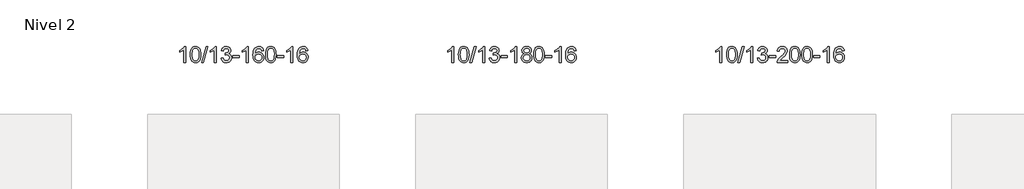
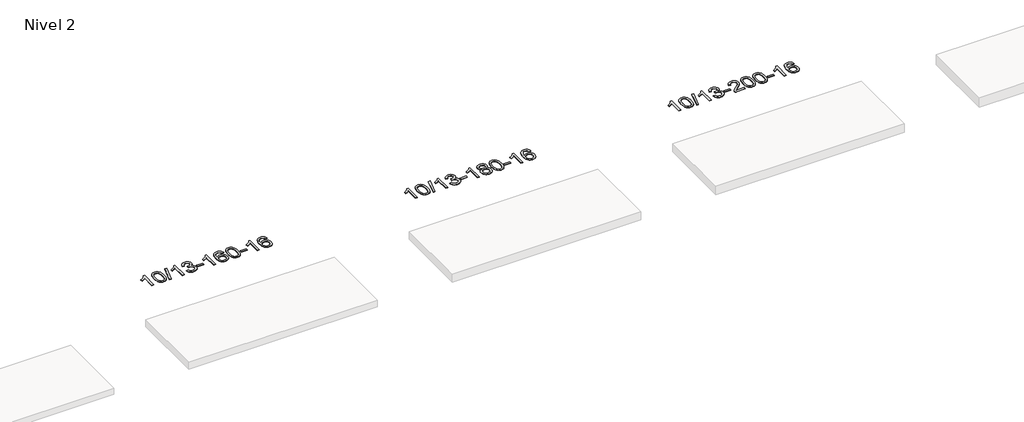
# One storey, part 28 of 51: 3 proxies.
"""IFC4 building model written with IfcOpenShell, lengths in millimetres."""

from ifc_helpers import new_model, si_unit, frame, origin, place, context, project, spatial, polyline, outline, extrude, element, save

model = new_model("IFC4")

# Units and contexts
model_context = context("Model", 3, world=origin())
ifc_project = project(units=[si_unit("LENGTHUNIT", "METRE", prefix="MILLI")], contexts=[model_context])

# Site, building, storey
site = spatial("IfcSite", under=ifc_project)
building = spatial("IfcBuilding", under=site)
storey = spatial("IfcBuildingStorey", under=building, Name="Nivel 2", Elevation=3000.0)

# Proxies
placement = place(None, origin())
element("IfcBuildingElementProxy", 1, Name="Texto de modelo 1", ObjectType="Texto de modelo 1", at=placement, inside=storey, context=model_context, shape_type="SweptSolid", body=[
    extrude(outline(polyline([(37859.3654769, -104863.8281584), (37809.1373218, -104863.8281584), (37809.1373218, -104550.6870041), (37788.1680481, -104567.6463641), (37761.5579171, -104584.5811986), (37708.6810117, -104609.9405308), (37708.6810117, -104562.459228), (37748.1302243, -104540.9994449), (37782.3064616, -104515.4684345), (37809.2476864, -104488.3187432), (37826.9918613, -104462.0029178), (37859.3654769, -104462.0029178), (37859.3654769, -104863.8281584)])), frame((0.0, 0.0, 3000.0), z_axis=(0.0, 0.0, 1.0), x_axis=(1.0, 0.0, 0.0)), (0.0, 0.0, 1.0), 10.0),
    extrude(outline(polyline([(37978.6573452, -104666.1528997), (37982.3484279, -104601.8348642), (37993.4216759, -104550.5398513), (38011.7667248, -104511.4830462), (38023.6247877, -104496.2496659), (38037.2732098, -104483.8796338), (38052.7579761, -104474.3085706), (38070.1250719, -104467.4720968), (38110.5062523, -104462.0029178), (38141.4573908, -104465.2402794), (38169.1711678, -104474.9523641), (38192.3477335, -104490.7590271), (38209.6872382, -104512.2801238), (38222.7838372, -104539.3317132), (38233.2316859, -104571.7298543), (38240.074291, -104612.8713241), (38242.3551593, -104666.1528997), (38238.7008649, -104730.1030532), (38227.7379814, -104781.2754387), (38209.5032972, -104820.3690321), (38197.6728253, -104835.6483976), (38184.0336004, -104848.082809), (38168.53044, -104857.7182516), (38151.1081618, -104864.6007106), (38110.5062523, -104870.1066778), (38082.8415262, -104867.7154449), (38058.3160599, -104860.5417459), (38036.9298532, -104848.5855811), (38018.6829063, -104831.8469503), (38001.1717233, -104801.5886562), (37988.6637355, -104763.8868831), (37981.1589428, -104718.7416309), (37978.6573452, -104666.1528997)]), holes=[polyline([(38028.8855003, -104666.0547978), (38030.3570283, -104709.719325), (38034.7716122, -104745.0635877), (38042.1292521, -104772.0875859), (38052.429948, -104790.7913197), (38064.8888849, -104803.516971), (38078.7212479, -104812.606722), (38093.927037, -104818.0605726), (38110.5062523, -104819.8785227), (38127.0854675, -104818.0544412), (38142.2912567, -104812.5821965), (38156.1236197, -104803.4617887), (38168.5825566, -104790.6932178), (38178.8832524, -104771.9588272), (38186.2408923, -104744.9409603), (38190.6554763, -104709.6396172), (38192.1270043, -104666.0547978), (38190.7045272, -104623.5460333), (38186.4370961, -104588.8241043), (38179.3247108, -104561.8890109), (38169.3673715, -104542.740753), (38157.1169011, -104529.392768), (38143.1251225, -104519.8584929), (38127.3920359, -104514.1379279), (38109.9176411, -104512.2310729), (38093.424265, -104513.9110674), (38078.4759932, -104518.9510507), (38065.0728259, -104527.3510229), (38053.2147629, -104539.110984), (38042.5707105, -104559.9576304), (38034.9678159, -104588.0638149), (38030.4060792, -104623.4295373), (38028.8855003, -104666.0547978)])]), frame((0.0, 0.0, 3000.0), z_axis=(0.0, 0.0, 1.0), x_axis=(1.0, 0.0, 0.0)), (0.0, 0.0, 1.0), 10.0),
    extrude(outline(polyline([(38261.1907175, -104863.8281584), (38374.2040664, -104462.0029178), (38419.5271282, -104462.0029178), (38306.5137793, -104863.8281584), (38261.1907175, -104863.8281584)])), frame((0.0, 0.0, 3000.0), z_axis=(0.0, 0.0, 1.0), x_axis=(1.0, 0.0, 0.0)), (0.0, 0.0, 1.0), 10.0),
    extrude(outline(polyline([(38631.6233612, -104863.8281584), (38581.3952061, -104863.8281584), (38581.3952061, -104550.6870041), (38560.4259324, -104567.6463641), (38533.8158014, -104584.5811986), (38480.9388959, -104609.9405308), (38480.9388959, -104562.459228), (38520.3881086, -104540.9994449), (38554.5643459, -104515.4684345), (38581.5055707, -104488.3187432), (38599.2497456, -104462.0029178), (38631.6233612, -104462.0029178), (38631.6233612, -104863.8281584)])), frame((0.0, 0.0, 3000.0), z_axis=(0.0, 0.0, 1.0), x_axis=(1.0, 0.0, 0.0)), (0.0, 0.0, 1.0), 10.0),
    extrude(outline(polyline([(38750.9152295, -104757.0933289), (38801.1433846, -104750.8148095), (38812.3883109, -104782.3790847), (38828.8571615, -104803.691715), (38851.3592769, -104815.8318208), (38880.7039974, -104819.8785227), (38915.1377521, -104814.3112419), (38929.4115735, -104807.3521408), (38941.7233576, -104797.6093993), (38958.7195058, -104772.6915255), (38964.3848885, -104742.476151), (38958.7685568, -104713.7936181), (38941.9195614, -104690.5312132), (38916.4130764, -104675.1169576), (38884.8242757, -104669.9788724), (38849.605706, -104675.4725769), (38855.1975124, -104625.2444218), (38863.2418653, -104625.833033), (38893.3346125, -104622.2277895), (38920.2390491, -104611.4120588), (38931.3122972, -104603.2328158), (38939.2217601, -104593.1160609), (38943.9674378, -104581.0617942), (38945.5493304, -104567.0700157), (38940.9630682, -104545.3772407), (38927.2042816, -104527.7802186), (38906.2104824, -104516.1183593), (38879.9191825, -104512.2310729), (38853.5788316, -104516.1551475), (38832.0454721, -104527.9273714), (38816.3246482, -104547.5477445), (38807.4219039, -104575.0162668), (38757.1937489, -104568.7377474), (38763.1473058, -104544.7579727), (38771.9826051, -104523.6354148), (38783.6996466, -104505.3700737), (38798.2984305, -104489.9619495), (38815.3191041, -104477.7298731), (38834.301815, -104468.9926757), (38855.2465633, -104463.7503573), (38878.1533489, -104462.0029178), (38909.7298868, -104465.4487459), (38938.7312507, -104475.7862299), (38963.1831407, -104492.095665), (38981.1112566, -104513.4573462), (38992.1109282, -104538.0686517), (38995.7774855, -104564.1269597), (38992.2948692, -104588.4071714), (38981.8470206, -104610.4310402), (38964.5810923, -104629.1930219), (38940.6442371, -104643.6875725), (38972.085885, -104656.3917641), (38995.385078, -104678.0232254), (39009.8060522, -104707.4047341), (39014.6130436, -104743.3590678), (39012.2095479, -104768.8410273), (39004.9990608, -104792.3118986), (38992.9815823, -104813.7716816), (38976.1571124, -104833.2203764), (38955.6599539, -104849.3581333), (38932.6244096, -104860.8851025), (38907.0504796, -104867.801284), (38878.9381638, -104870.1066778), (38853.5297807, -104868.1385091), (38830.3777404, -104862.2340031), (38809.4820431, -104852.3931598), (38790.8426887, -104838.615979), (38775.2138353, -104821.7118014), (38763.3496409, -104802.4899671), (38755.2501057, -104780.9504763), (38750.9152295, -104757.0933289)])), frame((0.0, 0.0, 3000.0), z_axis=(0.0, 0.0, 1.0), x_axis=(1.0, 0.0, 0.0)), (0.0, 0.0, 1.0), 10.0),
    extrude(outline(polyline([(39046.0056405, -104744.5362901), (39046.0056405, -104694.3081351), (39202.9686251, -104694.3081351), (39202.9686251, -104744.5362901), (39046.0056405, -104744.5362901)])), frame((0.0, 0.0, 3000.0), z_axis=(0.0, 0.0, 1.0), x_axis=(1.0, 0.0, 0.0)), (0.0, 0.0, 1.0), 10.0),
    extrude(outline(polyline([(39435.2738424, -104863.8281584), (39385.0456873, -104863.8281584), (39385.0456873, -104550.6870041), (39364.0764136, -104567.6463641), (39337.4662826, -104584.5811986), (39284.5893771, -104609.9405308), (39284.5893771, -104562.459228), (39324.0385898, -104540.9994449), (39358.2148271, -104515.4684345), (39385.1560519, -104488.3187432), (39402.9002268, -104462.0029178), (39435.2738424, -104462.0029178), (39435.2738424, -104863.8281584)])), frame((0.0, 0.0, 3000.0), z_axis=(0.0, 0.0, 1.0), x_axis=(1.0, 0.0, 0.0)), (0.0, 0.0, 1.0), 10.0),
    extrude(outline(polyline([(39811.9850054, -104568.7377474), (39761.7568504, -104575.0162668), (39753.6634465, -104550.1229184), (39742.7250885, -104533.1267702), (39719.9409302, -104517.4549972), (39692.3988315, -104512.2310729), (39669.0505876, -104515.2722307), (39647.0757697, -104524.3957042), (39628.2034234, -104543.6114071), (39612.7891678, -104570.0621226), (39602.3781073, -104607.4757215), (39598.5153464, -104659.5800747), (39618.663017, -104636.0724152), (39642.8083386, -104619.5054627), (39669.6024106, -104609.6830134), (39697.6963323, -104606.4088637), (39721.8293911, -104608.6468125), (39744.0985146, -104615.3606589), (39764.5037026, -104626.5504029), (39783.0449551, -104642.2160445), (39798.4530794, -104661.4256161), (39809.4588824, -104683.2471497), (39816.0623642, -104707.6806456), (39818.2635248, -104734.7261036), (39814.118721, -104770.6927), (39801.6843096, -104804.0350715), (39781.9903601, -104832.3129342), (39756.0669422, -104853.0860042), (39725.0912782, -104865.8515094), (39690.2405905, -104870.1066778), (39660.2980618, -104867.2862492), (39633.2556694, -104858.8249633), (39609.1134135, -104844.7228202), (39587.871294, -104824.9798197), (39570.553249, -104798.7620962), (39558.183217, -104765.2357837), (39550.7611977, -104724.4008823), (39548.2871913, -104676.2573918), (39551.0340435, -104622.2829718), (39559.2746002, -104576.2180146), (39573.0088614, -104538.0625203), (39592.236827, -104507.816489), (39613.077342, -104487.7730516), (39637.2410577, -104473.4563106), (39664.7279741, -104464.866266), (39695.5380912, -104462.0029178), (39718.6717374, -104463.7748828), (39739.6103542, -104469.0907776), (39758.3539419, -104477.9506023), (39774.9025003, -104490.3543569), (39788.8084397, -104505.8851085), (39799.6241704, -104524.1259241), (39807.3496923, -104545.0768037), (39811.9850054, -104568.7377474)]), holes=[polyline([(39598.5153464, -104733.9412887), (39601.4216141, -104756.1981494), (39610.1404174, -104777.449466), (39623.6784748, -104795.7209384), (39641.042505, -104809.0382666), (39661.999516, -104817.1684587), (39686.3165159, -104819.8785227), (39719.4626836, -104814.262191), (39733.3778201, -104807.2417762), (39745.5209916, -104797.4131956), (39755.3710321, -104785.1749879), (39762.4067752, -104770.9256919), (39768.0353697, -104736.3938353), (39762.4803516, -104703.2476675), (39755.536579, -104689.6268367), (39745.8152972, -104677.9741745), (39733.6353375, -104668.6391688), (39719.3155308, -104661.9713077), (39684.2563767, -104656.6370188), (39651.1592599, -104661.9713077), (39623.4822711, -104677.9741745), (39612.5592415, -104689.4735525), (39604.7570775, -104702.6345309), (39600.0757792, -104717.4571096), (39598.5153464, -104733.9412887)])]), frame((0.0, 0.0, 3000.0), z_axis=(0.0, 0.0, 1.0), x_axis=(1.0, 0.0, 0.0)), (0.0, 0.0, 1.0), 10.0),
    extrude(outline(polyline([(39862.2131605, -104666.1528997), (39865.9042432, -104601.8348642), (39876.9774912, -104550.5398513), (39895.3225401, -104511.4830462), (39907.180603, -104496.2496659), (39920.8290251, -104483.8796338), (39936.3137914, -104474.3085706), (39953.6808872, -104467.4720968), (39994.0620676, -104462.0029178), (40025.0132061, -104465.2402794), (40052.7269831, -104474.9523641), (40075.9035488, -104490.7590271), (40093.2430535, -104512.2801238), (40106.3396525, -104539.3317132), (40116.7875012, -104571.7298543), (40123.6301063, -104612.8713241), (40125.9109746, -104666.1528997), (40122.2566802, -104730.1030532), (40111.2937967, -104781.2754387), (40093.0591125, -104820.3690321), (40081.2286407, -104835.6483976), (40067.5894157, -104848.082809), (40052.0862553, -104857.7182516), (40034.6639771, -104864.6007106), (39994.0620676, -104870.1066778), (39966.3973415, -104867.7154449), (39941.8718752, -104860.5417459), (39920.4856685, -104848.5855811), (39902.2387216, -104831.8469503), (39884.7275386, -104801.5886562), (39872.2195508, -104763.8868831), (39864.7147581, -104718.7416309), (39862.2131605, -104666.1528997)]), holes=[polyline([(39912.4413156, -104666.0547978), (39913.9128436, -104709.719325), (39918.3274275, -104745.0635877), (39925.6850674, -104772.0875859), (39935.9857633, -104790.7913197), (39948.4447002, -104803.516971), (39962.2770632, -104812.606722), (39977.4828523, -104818.0605726), (39994.0620676, -104819.8785227), (40010.6412828, -104818.0544412), (40025.847072, -104812.5821965), (40039.679435, -104803.4617887), (40052.1383719, -104790.6932178), (40062.4390677, -104771.9588272), (40069.7967077, -104744.9409603), (40074.2112916, -104709.6396172), (40075.6828196, -104666.0547978), (40074.2603425, -104623.5460333), (40069.9929114, -104588.8241043), (40062.8805261, -104561.8890109), (40052.9231868, -104542.740753), (40040.6727164, -104529.392768), (40026.6809378, -104519.8584929), (40010.9478512, -104514.1379279), (39993.4734564, -104512.2310729), (39976.9800803, -104513.9110674), (39962.0318085, -104518.9510507), (39948.6286412, -104527.3510229), (39936.7705782, -104539.110984), (39926.1265258, -104559.9576304), (39918.5236312, -104588.0638149), (39913.9618945, -104623.4295373), (39912.4413156, -104666.0547978)])]), frame((0.0, 0.0, 3000.0), z_axis=(0.0, 0.0, 1.0), x_axis=(1.0, 0.0, 0.0)), (0.0, 0.0, 1.0), 10.0),
    extrude(outline(polyline([(40157.3035716, -104744.5362901), (40157.3035716, -104694.3081351), (40314.2665562, -104694.3081351), (40314.2665562, -104744.5362901), (40157.3035716, -104744.5362901)])), frame((0.0, 0.0, 3000.0), z_axis=(0.0, 0.0, 1.0), x_axis=(1.0, 0.0, 0.0)), (0.0, 0.0, 1.0), 10.0),
    extrude(outline(polyline([(40546.5717734, -104863.8281584), (40496.3436183, -104863.8281584), (40496.3436183, -104550.6870041), (40475.3743446, -104567.6463641), (40448.7642136, -104584.5811986), (40395.8873082, -104609.9405308), (40395.8873082, -104562.459228), (40435.3365208, -104540.9994449), (40469.5127581, -104515.4684345), (40496.4539829, -104488.3187432), (40514.1981578, -104462.0029178), (40546.5717734, -104462.0029178), (40546.5717734, -104863.8281584)])), frame((0.0, 0.0, 3000.0), z_axis=(0.0, 0.0, 1.0), x_axis=(1.0, 0.0, 0.0)), (0.0, 0.0, 1.0), 10.0),
    extrude(outline(polyline([(40923.2829365, -104568.7377474), (40873.0547814, -104575.0162668), (40864.9613775, -104550.1229184), (40854.0230195, -104533.1267702), (40831.2388613, -104517.4549972), (40803.6967626, -104512.2310729), (40780.3485186, -104515.2722307), (40758.3737008, -104524.3957042), (40739.5013544, -104543.6114071), (40724.0870988, -104570.0621226), (40713.6760383, -104607.4757215), (40709.8132774, -104659.5800747), (40729.960948, -104636.0724152), (40754.1062696, -104619.5054627), (40780.9003416, -104609.6830134), (40808.9942633, -104606.4088637), (40833.1273222, -104608.6468125), (40855.3964456, -104615.3606589), (40875.8016336, -104626.5504029), (40894.3428862, -104642.2160445), (40909.7510104, -104661.4256161), (40920.7568134, -104683.2471497), (40927.3602952, -104707.6806456), (40929.5614558, -104734.7261036), (40925.416652, -104770.6927), (40912.9822406, -104804.0350715), (40893.2882911, -104832.3129342), (40867.3648732, -104853.0860042), (40836.3892092, -104865.8515094), (40801.5385215, -104870.1066778), (40771.5959928, -104867.2862492), (40744.5536005, -104858.8249633), (40720.4113445, -104844.7228202), (40699.169225, -104824.9798197), (40681.8511801, -104798.7620962), (40669.481148, -104765.2357837), (40662.0591287, -104724.4008823), (40659.5851223, -104676.2573918), (40662.3319745, -104622.2829718), (40670.5725312, -104576.2180146), (40684.3067924, -104538.0625203), (40703.534758, -104507.816489), (40724.375273, -104487.7730516), (40748.5389888, -104473.4563106), (40776.0259052, -104464.866266), (40806.8360223, -104462.0029178), (40829.9696684, -104463.7748828), (40850.9082853, -104469.0907776), (40869.6518729, -104477.9506023), (40886.2004313, -104490.3543569), (40900.1063708, -104505.8851085), (40910.9221014, -104524.1259241), (40918.6476233, -104545.0768037), (40923.2829365, -104568.7377474)]), holes=[polyline([(40709.8132774, -104733.9412887), (40712.7195452, -104756.1981494), (40721.4383484, -104777.449466), (40734.9764059, -104795.7209384), (40752.340436, -104809.0382666), (40773.297447, -104817.1684587), (40797.6144469, -104819.8785227), (40830.7606147, -104814.262191), (40844.6757511, -104807.2417762), (40856.8189227, -104797.4131956), (40866.6689631, -104785.1749879), (40873.7047062, -104770.9256919), (40879.3333008, -104736.3938353), (40873.7782826, -104703.2476675), (40866.83451, -104689.6268367), (40857.1132283, -104677.9741745), (40844.9332685, -104668.6391688), (40830.6134619, -104661.9713077), (40795.5543077, -104656.6370188), (40762.4571909, -104661.9713077), (40734.7802021, -104677.9741745), (40723.8571726, -104689.4735525), (40716.0550086, -104702.6345309), (40711.3737102, -104717.4571096), (40709.8132774, -104733.9412887)])]), frame((0.0, 0.0, 3000.0), z_axis=(0.0, 0.0, 1.0), x_axis=(1.0, 0.0, 0.0)), (0.0, 0.0, 1.0), 10.0),
])
element("IfcBuildingElementProxy", 2, Name="Texto de modelo 1", ObjectType="Texto de modelo 1", at=placement, inside=storey, context=model_context, shape_type="SweptSolid", body=[
    extrude(outline(polyline([(44574.3060117, -104863.8281584), (44524.0778566, -104863.8281584), (44524.0778566, -104550.6870041), (44503.1085829, -104567.6463641), (44476.4984519, -104584.5811986), (44423.6215465, -104609.9405308), (44423.6215465, -104562.459228), (44463.0707591, -104540.9994449), (44497.2469965, -104515.4684345), (44524.1882212, -104488.3187432), (44541.9323961, -104462.0029178), (44574.3060117, -104462.0029178), (44574.3060117, -104863.8281584)])), frame((0.0, 0.0, 3000.0), z_axis=(0.0, 0.0, 1.0), x_axis=(1.0, 0.0, 0.0)), (0.0, 0.0, 1.0), 10.0),
    extrude(outline(polyline([(44693.59788, -104666.1528997), (44697.2889627, -104601.8348642), (44708.3622108, -104550.5398513), (44726.7072596, -104511.4830462), (44738.5653226, -104496.2496659), (44752.2137446, -104483.8796338), (44767.6985109, -104474.3085706), (44785.0656068, -104467.4720968), (44825.4467871, -104462.0029178), (44856.3979256, -104465.2402794), (44884.1117026, -104474.9523641), (44907.2882683, -104490.7590271), (44924.627773, -104512.2801238), (44937.724372, -104539.3317132), (44948.1722207, -104571.7298543), (44955.0148258, -104612.8713241), (44957.2956942, -104666.1528997), (44953.6413997, -104730.1030532), (44942.6785162, -104781.2754387), (44924.443832, -104820.3690321), (44912.6133602, -104835.6483976), (44898.9741352, -104848.082809), (44883.4709748, -104857.7182516), (44866.0486966, -104864.6007106), (44825.4467871, -104870.1066778), (44797.7820611, -104867.7154449), (44773.2565947, -104860.5417459), (44751.8703881, -104848.5855811), (44733.6234411, -104831.8469503), (44716.1122581, -104801.5886562), (44703.6042703, -104763.8868831), (44696.0994776, -104718.7416309), (44693.59788, -104666.1528997)]), holes=[polyline([(44743.8260351, -104666.0547978), (44745.2975631, -104709.719325), (44749.712147, -104745.0635877), (44757.0697869, -104772.0875859), (44767.3704828, -104790.7913197), (44779.8294197, -104803.516971), (44793.6617827, -104812.606722), (44808.8675718, -104818.0605726), (44825.4467871, -104819.8785227), (44842.0260023, -104818.0544412), (44857.2317915, -104812.5821965), (44871.0641545, -104803.4617887), (44883.5230914, -104790.6932178), (44893.8237873, -104771.9588272), (44901.1814272, -104744.9409603), (44905.5960111, -104709.6396172), (44907.0675391, -104666.0547978), (44905.645062, -104623.5460333), (44901.3776309, -104588.8241043), (44894.2652457, -104561.8890109), (44884.3079063, -104542.740753), (44872.0574359, -104529.392768), (44858.0656573, -104519.8584929), (44842.3325707, -104514.1379279), (44824.8581759, -104512.2310729), (44808.3647998, -104513.9110674), (44793.416528, -104518.9510507), (44780.0133607, -104527.3510229), (44768.1552977, -104539.110984), (44757.5112453, -104559.9576304), (44749.9083508, -104588.0638149), (44745.346614, -104623.4295373), (44743.8260351, -104666.0547978)])]), frame((0.0, 0.0, 3000.0), z_axis=(0.0, 0.0, 1.0), x_axis=(1.0, 0.0, 0.0)), (0.0, 0.0, 1.0), 10.0),
    extrude(outline(polyline([(44976.1312523, -104863.8281584), (45089.1446012, -104462.0029178), (45134.467663, -104462.0029178), (45021.4543141, -104863.8281584), (44976.1312523, -104863.8281584)])), frame((0.0, 0.0, 3000.0), z_axis=(0.0, 0.0, 1.0), x_axis=(1.0, 0.0, 0.0)), (0.0, 0.0, 1.0), 10.0),
    extrude(outline(polyline([(45346.563896, -104863.8281584), (45296.3357409, -104863.8281584), (45296.3357409, -104550.6870041), (45275.3664672, -104567.6463641), (45248.7563362, -104584.5811986), (45195.8794308, -104609.9405308), (45195.8794308, -104562.459228), (45235.3286434, -104540.9994449), (45269.5048807, -104515.4684345), (45296.4461055, -104488.3187432), (45314.1902804, -104462.0029178), (45346.563896, -104462.0029178), (45346.563896, -104863.8281584)])), frame((0.0, 0.0, 3000.0), z_axis=(0.0, 0.0, 1.0), x_axis=(1.0, 0.0, 0.0)), (0.0, 0.0, 1.0), 10.0),
    extrude(outline(polyline([(45465.8557643, -104757.0933289), (45516.0839194, -104750.8148095), (45527.3288457, -104782.3790847), (45543.7976963, -104803.691715), (45566.2998117, -104815.8318208), (45595.6445322, -104819.8785227), (45630.0782869, -104814.3112419), (45644.3521084, -104807.3521408), (45656.6638925, -104797.6093993), (45673.6600406, -104772.6915255), (45679.3254234, -104742.476151), (45673.7090916, -104713.7936181), (45656.8600962, -104690.5312132), (45631.3536112, -104675.1169576), (45599.7648105, -104669.9788724), (45564.5462409, -104675.4725769), (45570.1380472, -104625.2444218), (45578.1824002, -104625.833033), (45608.2751474, -104622.2277895), (45635.1795839, -104611.4120588), (45646.252832, -104603.2328158), (45654.1622949, -104593.1160609), (45658.9079726, -104581.0617942), (45660.4898652, -104567.0700157), (45655.903603, -104545.3772407), (45642.1448164, -104527.7802186), (45621.1510172, -104516.1183593), (45594.8597173, -104512.2310729), (45568.5193664, -104516.1551475), (45546.986007, -104527.9273714), (45531.265183, -104547.5477445), (45522.3624388, -104575.0162668), (45472.1342837, -104568.7377474), (45478.0878406, -104544.7579727), (45486.9231399, -104523.6354148), (45498.6401814, -104505.3700737), (45513.2389653, -104489.9619495), (45530.2596389, -104477.7298731), (45549.2423499, -104468.9926757), (45570.1870981, -104463.7503573), (45593.0938837, -104462.0029178), (45624.6704216, -104465.4487459), (45653.6717856, -104475.7862299), (45678.1236755, -104492.095665), (45696.0517914, -104513.4573462), (45707.0514631, -104538.0686517), (45710.7180203, -104564.1269597), (45707.2354041, -104588.4071714), (45696.7875554, -104610.4310402), (45679.5216271, -104629.1930219), (45655.5847719, -104643.6875725), (45687.0264198, -104656.3917641), (45710.3256128, -104678.0232254), (45724.746587, -104707.4047341), (45729.5535784, -104743.3590678), (45727.1500827, -104768.8410273), (45719.9395956, -104792.3118986), (45707.9221171, -104813.7716816), (45691.0976472, -104833.2203764), (45670.6004887, -104849.3581333), (45647.5649445, -104860.8851025), (45621.9910144, -104867.801284), (45593.8786986, -104870.1066778), (45568.4703155, -104868.1385091), (45545.3182753, -104862.2340031), (45524.4225779, -104852.3931598), (45505.7832235, -104838.615979), (45490.1543701, -104821.7118014), (45478.2901757, -104802.4899671), (45470.1906405, -104780.9504763), (45465.8557643, -104757.0933289)])), frame((0.0, 0.0, 3000.0), z_axis=(0.0, 0.0, 1.0), x_axis=(1.0, 0.0, 0.0)), (0.0, 0.0, 1.0), 10.0),
    extrude(outline(polyline([(45760.9461754, -104744.5362901), (45760.9461754, -104694.3081351), (45917.90916, -104694.3081351), (45917.90916, -104744.5362901), (45760.9461754, -104744.5362901)])), frame((0.0, 0.0, 3000.0), z_axis=(0.0, 0.0, 1.0), x_axis=(1.0, 0.0, 0.0)), (0.0, 0.0, 1.0), 10.0),
    extrude(outline(polyline([(46150.2143772, -104863.8281584), (46099.9862221, -104863.8281584), (46099.9862221, -104550.6870041), (46079.0169484, -104567.6463641), (46052.4068174, -104584.5811986), (45999.529912, -104609.9405308), (45999.529912, -104562.459228), (46038.9791246, -104540.9994449), (46073.1553619, -104515.4684345), (46100.0965867, -104488.3187432), (46117.8407616, -104462.0029178), (46150.2143772, -104462.0029178), (46150.2143772, -104863.8281584)])), frame((0.0, 0.0, 3000.0), z_axis=(0.0, 0.0, 1.0), x_axis=(1.0, 0.0, 0.0)), (0.0, 0.0, 1.0), 10.0),
    extrude(outline(polyline([(46342.6902371, -104642.5103501), (46315.7980632, -104629.2665983), (46296.9257169, -104611.3139569), (46285.7788924, -104589.020308), (46282.0632843, -104562.7535336), (46284.0866352, -104542.2686378), (46290.1566882, -104523.488262), (46300.273443, -104506.412406), (46314.4368998, -104491.04107), (46331.9664769, -104478.3368784), (46352.1815925, -104469.2624559), (46375.0822467, -104463.8178023), (46400.6684395, -104462.0029178), (46426.3772596, -104463.8607219), (46449.4495921, -104469.4341341), (46469.8854369, -104478.7231545), (46487.6847941, -104491.727783), (46502.1057683, -104507.399556), (46512.4064642, -104524.6900098), (46518.5868817, -104543.5991444), (46520.6470209, -104564.1269597), (46516.9804637, -104589.5476056), (46505.980792, -104611.4611097), (46487.5253786, -104629.3033865), (46461.491596, -104642.5103501), (46492.4059464, -104658.4396405), (46514.9080617, -104681.8982491), (46528.6300602, -104711.7580044), (46533.2040596, -104746.8907349), (46530.935454, -104771.9434988), (46524.1296371, -104794.911598), (46512.7866089, -104815.7950326), (46496.9063694, -104834.5938026), (46477.3227846, -104850.1306855), (46454.8697201, -104861.228459), (46429.5471761, -104867.8871231), (46401.3551526, -104870.1066778), (46373.163129, -104867.8779261), (46347.840585, -104861.1916708), (46325.3875206, -104850.047912), (46305.8039357, -104834.4466498), (46289.9236962, -104815.5160554), (46278.580668, -104794.3843005), (46271.7748511, -104771.0513849), (46269.5062455, -104745.5173088), (46274.264186, -104709.0234149), (46288.5380074, -104679.0042441), (46311.5919457, -104656.489866), (46342.6902371, -104642.5103501)]), holes=[polyline([(46332.2914393, -104564.2250616), (46336.7428115, -104586.1508285), (46350.0969279, -104603.6620114), (46371.9613812, -104615.1399297), (46401.9437638, -104618.9659024), (46431.2271706, -104615.1644552), (46452.76053, -104603.7601133), (46466.0042819, -104586.8375415), (46470.4188658, -104566.4814045), (46465.8571291, -104545.3527152), (46452.1719188, -104527.8783204), (46430.3442538, -104516.1428848), (46401.3551526, -104512.2310729), (46372.1821104, -104516.0570457), (46350.3912335, -104527.5349639), (46336.8163879, -104544.3594338), (46332.2914393, -104564.2250616)]), polyline([(46319.7344006, -104743.7514752), (46321.8313279, -104762.9671781), (46328.1221101, -104781.5697443), (46339.7349184, -104797.7933403), (46357.7979243, -104809.8721325), (46379.4293857, -104817.3769252), (46401.74756, -104819.8785227), (46435.9360601, -104814.6178102), (46449.8297368, -104808.0419196), (46461.5896979, -104798.8356726), (46477.6293529, -104774.9356057), (46482.9759046, -104745.3211051), (46477.4576746, -104715.2038324), (46460.9029849, -104690.7764679), (46448.8241927, -104681.3341634), (46434.6607359, -104674.5896601), (46400.0798283, -104669.1940575), (46366.3695748, -104674.5160837), (46352.632248, -104681.1686165), (46340.9734544, -104690.4821623), (46325.044164, -104714.4435429), (46319.7344006, -104743.7514752)])]), frame((0.0, 0.0, 3000.0), z_axis=(0.0, 0.0, 1.0), x_axis=(1.0, 0.0, 0.0)), (0.0, 0.0, 1.0), 10.0),
    extrude(outline(polyline([(46577.1536953, -104666.1528997), (46580.844778, -104601.8348642), (46591.9180261, -104550.5398513), (46610.2630749, -104511.4830462), (46622.1211379, -104496.2496659), (46635.7695599, -104483.8796338), (46651.2543262, -104474.3085706), (46668.6214221, -104467.4720968), (46709.0026024, -104462.0029178), (46739.9537409, -104465.2402794), (46767.6675179, -104474.9523641), (46790.8440836, -104490.7590271), (46808.1835883, -104512.2801238), (46821.2801873, -104539.3317132), (46831.728036, -104571.7298543), (46838.5706411, -104612.8713241), (46840.8515095, -104666.1528997), (46837.197215, -104730.1030532), (46826.2343315, -104781.2754387), (46807.9996473, -104820.3690321), (46796.1691755, -104835.6483976), (46782.5299505, -104848.082809), (46767.0267901, -104857.7182516), (46749.6045119, -104864.6007106), (46709.0026024, -104870.1066778), (46681.3378764, -104867.7154449), (46656.81241, -104860.5417459), (46635.4262034, -104848.5855811), (46617.1792564, -104831.8469503), (46599.6680734, -104801.5886562), (46587.1600856, -104763.8868831), (46579.6552929, -104718.7416309), (46577.1536953, -104666.1528997)]), holes=[polyline([(46627.3818504, -104666.0547978), (46628.8533784, -104709.719325), (46633.2679623, -104745.0635877), (46640.6256022, -104772.0875859), (46650.9262981, -104790.7913197), (46663.385235, -104803.516971), (46677.217598, -104812.606722), (46692.4233872, -104818.0605726), (46709.0026024, -104819.8785227), (46725.5818177, -104818.0544412), (46740.7876068, -104812.5821965), (46754.6199698, -104803.4617887), (46767.0789067, -104790.6932178), (46777.3796026, -104771.9588272), (46784.7372425, -104744.9409603), (46789.1518264, -104709.6396172), (46790.6233544, -104666.0547978), (46789.2008774, -104623.5460333), (46784.9334462, -104588.8241043), (46777.821061, -104561.8890109), (46767.8637216, -104542.740753), (46755.6132512, -104529.392768), (46741.6214726, -104519.8584929), (46725.888386, -104514.1379279), (46708.4139912, -104512.2310729), (46691.9206151, -104513.9110674), (46676.9723434, -104518.9510507), (46663.569176, -104527.3510229), (46651.711113, -104539.110984), (46641.0670606, -104559.9576304), (46633.4641661, -104588.0638149), (46628.9024293, -104623.4295373), (46627.3818504, -104666.0547978)])]), frame((0.0, 0.0, 3000.0), z_axis=(0.0, 0.0, 1.0), x_axis=(1.0, 0.0, 0.0)), (0.0, 0.0, 1.0), 10.0),
    extrude(outline(polyline([(46872.2441064, -104744.5362901), (46872.2441064, -104694.3081351), (47029.207091, -104694.3081351), (47029.207091, -104744.5362901), (46872.2441064, -104744.5362901)])), frame((0.0, 0.0, 3000.0), z_axis=(0.0, 0.0, 1.0), x_axis=(1.0, 0.0, 0.0)), (0.0, 0.0, 1.0), 10.0),
    extrude(outline(polyline([(47261.5123082, -104863.8281584), (47211.2841531, -104863.8281584), (47211.2841531, -104550.6870041), (47190.3148794, -104567.6463641), (47163.7047484, -104584.5811986), (47110.827843, -104609.9405308), (47110.827843, -104562.459228), (47150.2770556, -104540.9994449), (47184.453293, -104515.4684345), (47211.3945177, -104488.3187432), (47229.1386926, -104462.0029178), (47261.5123082, -104462.0029178), (47261.5123082, -104863.8281584)])), frame((0.0, 0.0, 3000.0), z_axis=(0.0, 0.0, 1.0), x_axis=(1.0, 0.0, 0.0)), (0.0, 0.0, 1.0), 10.0),
    extrude(outline(polyline([(47638.2234713, -104568.7377474), (47587.9953162, -104575.0162668), (47579.9019123, -104550.1229184), (47568.9635543, -104533.1267702), (47546.1793961, -104517.4549972), (47518.6372974, -104512.2310729), (47495.2890534, -104515.2722307), (47473.3142356, -104524.3957042), (47454.4418892, -104543.6114071), (47439.0276336, -104570.0621226), (47428.6165732, -104607.4757215), (47424.7538122, -104659.5800747), (47444.9014828, -104636.0724152), (47469.0468044, -104619.5054627), (47495.8408764, -104609.6830134), (47523.9347981, -104606.4088637), (47548.067857, -104608.6468125), (47570.3369804, -104615.3606589), (47590.7421684, -104626.5504029), (47609.283421, -104642.2160445), (47624.6915452, -104661.4256161), (47635.6973483, -104683.2471497), (47642.3008301, -104707.6806456), (47644.5019907, -104734.7261036), (47640.3571869, -104770.6927), (47627.9227754, -104804.0350715), (47608.2288259, -104832.3129342), (47582.305408, -104853.0860042), (47551.329744, -104865.8515094), (47516.4790563, -104870.1066778), (47486.5365276, -104867.2862492), (47459.4941353, -104858.8249633), (47435.3518794, -104844.7228202), (47414.1097598, -104824.9798197), (47396.7917149, -104798.7620962), (47384.4216828, -104765.2357837), (47376.9996636, -104724.4008823), (47374.5256571, -104676.2573918), (47377.2725094, -104622.2829718), (47385.5130661, -104576.2180146), (47399.2473272, -104538.0625203), (47418.4752928, -104507.816489), (47439.3158079, -104487.7730516), (47463.4795236, -104473.4563106), (47490.96644, -104464.866266), (47521.7765571, -104462.0029178), (47544.9102032, -104463.7748828), (47565.8488201, -104469.0907776), (47584.5924078, -104477.9506023), (47601.1409662, -104490.3543569), (47615.0469056, -104505.8851085), (47625.8626362, -104524.1259241), (47633.5881581, -104545.0768037), (47638.2234713, -104568.7377474)]), holes=[polyline([(47424.7538122, -104733.9412887), (47427.66008, -104756.1981494), (47436.3788833, -104777.449466), (47449.9169407, -104795.7209384), (47467.2809709, -104809.0382666), (47488.2379819, -104817.1684587), (47512.5549817, -104819.8785227), (47545.7011495, -104814.262191), (47559.616286, -104807.2417762), (47571.7594575, -104797.4131956), (47581.6094979, -104785.1749879), (47588.6452411, -104770.9256919), (47594.2738356, -104736.3938353), (47588.7188175, -104703.2476675), (47581.7750448, -104689.6268367), (47572.0537631, -104677.9741745), (47559.8738034, -104668.6391688), (47545.5539967, -104661.9713077), (47510.4948426, -104656.6370188), (47477.3977257, -104661.9713077), (47449.720737, -104677.9741745), (47438.7977074, -104689.4735525), (47430.9955434, -104702.6345309), (47426.314245, -104717.4571096), (47424.7538122, -104733.9412887)])]), frame((0.0, 0.0, 3000.0), z_axis=(0.0, 0.0, 1.0), x_axis=(1.0, 0.0, 0.0)), (0.0, 0.0, 1.0), 10.0),
])
element("IfcBuildingElementProxy", 3, Name="Texto de modelo 1", ObjectType="Texto de modelo 1", at=placement, inside=storey, context=model_context, shape_type="SweptSolid", body=[
    extrude(outline(polyline([(51289.2465465, -104863.8281584), (51239.0183915, -104863.8281584), (51239.0183915, -104550.6870041), (51218.0491177, -104567.6463641), (51191.4389868, -104584.5811986), (51138.5620813, -104609.9405308), (51138.5620813, -104562.459228), (51178.0112939, -104540.9994449), (51212.1875313, -104515.4684345), (51239.1287561, -104488.3187432), (51256.872931, -104462.0029178), (51289.2465465, -104462.0029178), (51289.2465465, -104863.8281584)])), frame((0.0, 0.0, 3000.0), z_axis=(0.0, 0.0, 1.0), x_axis=(1.0, 0.0, 0.0)), (0.0, 0.0, 1.0), 10.0),
    extrude(outline(polyline([(51408.5384148, -104666.1528997), (51412.2294975, -104601.8348642), (51423.3027456, -104550.5398513), (51441.6477944, -104511.4830462), (51453.5058574, -104496.2496659), (51467.1542794, -104483.8796338), (51482.6390457, -104474.3085706), (51500.0061416, -104467.4720968), (51540.3873219, -104462.0029178), (51571.3384604, -104465.2402794), (51599.0522374, -104474.9523641), (51622.2288031, -104490.7590271), (51639.5683078, -104512.2801238), (51652.6649068, -104539.3317132), (51663.1127555, -104571.7298543), (51669.9553606, -104612.8713241), (51672.236229, -104666.1528997), (51668.5819345, -104730.1030532), (51657.6190511, -104781.2754387), (51639.3843668, -104820.3690321), (51627.553895, -104835.6483976), (51613.91467, -104848.082809), (51598.4115096, -104857.7182516), (51580.9892315, -104864.6007106), (51540.3873219, -104870.1066778), (51512.7225959, -104867.7154449), (51488.1971295, -104860.5417459), (51466.8109229, -104848.5855811), (51448.5639759, -104831.8469503), (51431.052793, -104801.5886562), (51418.5448051, -104763.8868831), (51411.0400124, -104718.7416309), (51408.5384148, -104666.1528997)]), holes=[polyline([(51458.7665699, -104666.0547978), (51460.2380979, -104709.719325), (51464.6526818, -104745.0635877), (51472.0103218, -104772.0875859), (51482.3110176, -104790.7913197), (51494.7699545, -104803.516971), (51508.6023175, -104812.606722), (51523.8081067, -104818.0605726), (51540.3873219, -104819.8785227), (51556.9665372, -104818.0544412), (51572.1723263, -104812.5821965), (51586.0046893, -104803.4617887), (51598.4636262, -104790.6932178), (51608.7643221, -104771.9588272), (51616.121962, -104744.9409603), (51620.5365459, -104709.6396172), (51622.0080739, -104666.0547978), (51620.5855969, -104623.5460333), (51616.3181657, -104588.8241043), (51609.2057805, -104561.8890109), (51599.2484411, -104542.740753), (51586.9979707, -104529.392768), (51573.0061922, -104519.8584929), (51557.2731055, -104514.1379279), (51539.7987107, -104512.2310729), (51523.3053346, -104513.9110674), (51508.3570629, -104518.9510507), (51494.9538955, -104527.3510229), (51483.0958325, -104539.110984), (51472.4517801, -104559.9576304), (51464.8488856, -104588.0638149), (51460.2871488, -104623.4295373), (51458.7665699, -104666.0547978)])]), frame((0.0, 0.0, 3000.0), z_axis=(0.0, 0.0, 1.0), x_axis=(1.0, 0.0, 0.0)), (0.0, 0.0, 1.0), 10.0),
    extrude(outline(polyline([(51691.0717871, -104863.8281584), (51804.0851361, -104462.0029178), (51849.4081979, -104462.0029178), (51736.394849, -104863.8281584), (51691.0717871, -104863.8281584)])), frame((0.0, 0.0, 3000.0), z_axis=(0.0, 0.0, 1.0), x_axis=(1.0, 0.0, 0.0)), (0.0, 0.0, 1.0), 10.0),
    extrude(outline(polyline([(52061.5044308, -104863.8281584), (52011.2762757, -104863.8281584), (52011.2762757, -104550.6870041), (51990.307002, -104567.6463641), (51963.696871, -104584.5811986), (51910.8199656, -104609.9405308), (51910.8199656, -104562.459228), (51950.2691782, -104540.9994449), (51984.4454156, -104515.4684345), (52011.3866403, -104488.3187432), (52029.1308152, -104462.0029178), (52061.5044308, -104462.0029178), (52061.5044308, -104863.8281584)])), frame((0.0, 0.0, 3000.0), z_axis=(0.0, 0.0, 1.0), x_axis=(1.0, 0.0, 0.0)), (0.0, 0.0, 1.0), 10.0),
    extrude(outline(polyline([(52180.7962991, -104757.0933289), (52231.0244542, -104750.8148095), (52242.2693805, -104782.3790847), (52258.7382312, -104803.691715), (52281.2403465, -104815.8318208), (52310.585067, -104819.8785227), (52345.0188218, -104814.3112419), (52359.2926432, -104807.3521408), (52371.6044273, -104797.6093993), (52388.6005755, -104772.6915255), (52394.2659582, -104742.476151), (52388.6496264, -104713.7936181), (52371.800631, -104690.5312132), (52346.294146, -104675.1169576), (52314.7053454, -104669.9788724), (52279.4867757, -104675.4725769), (52285.078582, -104625.2444218), (52293.122935, -104625.833033), (52323.2156822, -104622.2277895), (52350.1201188, -104611.4120588), (52361.1933668, -104603.2328158), (52369.1028297, -104593.1160609), (52373.8485075, -104581.0617942), (52375.4304, -104567.0700157), (52370.8441378, -104545.3772407), (52357.0853512, -104527.7802186), (52336.091552, -104516.1183593), (52309.8002521, -104512.2310729), (52283.4599012, -104516.1551475), (52261.9265418, -104527.9273714), (52246.2057179, -104547.5477445), (52237.3029736, -104575.0162668), (52187.0748185, -104568.7377474), (52193.0283755, -104544.7579727), (52201.8636747, -104523.6354148), (52213.5807163, -104505.3700737), (52228.1795001, -104489.9619495), (52245.2001737, -104477.7298731), (52264.1828847, -104468.9926757), (52285.127633, -104463.7503573), (52308.0344185, -104462.0029178), (52339.6109564, -104465.4487459), (52368.6123204, -104475.7862299), (52393.0642103, -104492.095665), (52410.9923262, -104513.4573462), (52421.9919979, -104538.0686517), (52425.6585551, -104564.1269597), (52422.1759389, -104588.4071714), (52411.7280902, -104610.4310402), (52394.4621619, -104629.1930219), (52370.5253068, -104643.6875725), (52401.9669546, -104656.3917641), (52425.2661477, -104678.0232254), (52439.6871219, -104707.4047341), (52444.4941133, -104743.3590678), (52442.0906176, -104768.8410273), (52434.8801305, -104792.3118986), (52422.862652, -104813.7716816), (52406.038182, -104833.2203764), (52385.5410235, -104849.3581333), (52362.5054793, -104860.8851025), (52336.9315492, -104867.801284), (52308.8192334, -104870.1066778), (52283.4108503, -104868.1385091), (52260.2588101, -104862.2340031), (52239.3631128, -104852.3931598), (52220.7237583, -104838.615979), (52205.0949049, -104821.7118014), (52193.2307106, -104802.4899671), (52185.1311753, -104780.9504763), (52180.7962991, -104757.0933289)])), frame((0.0, 0.0, 3000.0), z_axis=(0.0, 0.0, 1.0), x_axis=(1.0, 0.0, 0.0)), (0.0, 0.0, 1.0), 10.0),
    extrude(outline(polyline([(52475.8867102, -104744.5362901), (52475.8867102, -104694.3081351), (52632.8496948, -104694.3081351), (52632.8496948, -104744.5362901), (52475.8867102, -104744.5362901)])), frame((0.0, 0.0, 3000.0), z_axis=(0.0, 0.0, 1.0), x_axis=(1.0, 0.0, 0.0)), (0.0, 0.0, 1.0), 10.0),
    extrude(outline(polyline([(52934.2186252, -104813.6000034), (52934.2186252, -104863.8281584), (52670.5208111, -104863.8281584), (52671.6244571, -104846.1452972), (52675.9164137, -104829.1982), (52688.3017742, -104802.1343478), (52706.4260938, -104775.8798361), (52732.6438174, -104748.3990511), (52769.3093895, -104717.656379), (52823.5106702, -104669.5128886), (52856.0314385, -104633.9754879), (52872.2918227, -104605.1335394), (52877.7119508, -104577.0764059), (52872.5983911, -104551.9255402), (52857.2577119, -104531.0175801), (52833.676476, -104516.9276997), (52803.8412462, -104512.2310729), (52772.5099629, -104516.8173351), (52748.1684376, -104530.5761217), (52732.4598764, -104552.4283123), (52727.0274856, -104581.2947861), (52676.7993305, -104575.0162668), (52681.1188782, -104549.0867175), (52688.9762245, -104526.4313179), (52700.3713693, -104507.0500681), (52715.3043127, -104490.9429681), (52733.431698, -104478.2816961), (52754.4101687, -104469.2379304), (52778.239725, -104463.811671), (52804.9203667, -104462.0029178), (52831.8401317, -104464.0140061), (52855.7984466, -104470.0472708), (52876.7953115, -104480.102712), (52894.8307263, -104494.1803297), (52909.3160799, -104511.2377915), (52919.662761, -104530.2327652), (52925.8707696, -104551.1652507), (52927.9401059, -104574.0352481), (52925.7082884, -104598.0579424), (52919.0128361, -104621.6637037), (52907.1302477, -104645.6741353), (52889.3370218, -104670.9108402), (52860.97332, -104701.0403756), (52817.3793036, -104739.7292987), (52759.5973049, -104788.0444674), (52736.935774, -104813.6000034), (52934.2186252, -104813.6000034)])), frame((0.0, 0.0, 3000.0), z_axis=(0.0, 0.0, 1.0), x_axis=(1.0, 0.0, 0.0)), (0.0, 0.0, 1.0), 10.0),
    extrude(outline(polyline([(52984.4467803, -104666.1528997), (52988.137863, -104601.8348642), (52999.2111111, -104550.5398513), (53017.5561599, -104511.4830462), (53029.4142229, -104496.2496659), (53043.0626449, -104483.8796338), (53058.5474112, -104474.3085706), (53075.9145071, -104467.4720968), (53116.2956874, -104462.0029178), (53147.2468259, -104465.2402794), (53174.9606029, -104474.9523641), (53198.1371686, -104490.7590271), (53215.4766733, -104512.2801238), (53228.5732723, -104539.3317132), (53239.021121, -104571.7298543), (53245.8637261, -104612.8713241), (53248.1445945, -104666.1528997), (53244.4903, -104730.1030532), (53233.5274165, -104781.2754387), (53215.2927323, -104820.3690321), (53203.4622605, -104835.6483976), (53189.8230355, -104848.082809), (53174.3198751, -104857.7182516), (53156.8975969, -104864.6007106), (53116.2956874, -104870.1066778), (53088.6309614, -104867.7154449), (53064.105495, -104860.5417459), (53042.7192884, -104848.5855811), (53024.4723414, -104831.8469503), (53006.9611584, -104801.5886562), (52994.4531706, -104763.8868831), (52986.9483779, -104718.7416309), (52984.4467803, -104666.1528997)]), holes=[polyline([(53034.6749354, -104666.0547978), (53036.1464634, -104709.719325), (53040.5610473, -104745.0635877), (53047.9186872, -104772.0875859), (53058.2193831, -104790.7913197), (53070.67832, -104803.516971), (53084.510683, -104812.606722), (53099.7164721, -104818.0605726), (53116.2956874, -104819.8785227), (53132.8749026, -104818.0544412), (53148.0806918, -104812.5821965), (53161.9130548, -104803.4617887), (53174.3719917, -104790.6932178), (53184.6726876, -104771.9588272), (53192.0303275, -104744.9409603), (53196.4449114, -104709.6396172), (53197.9164394, -104666.0547978), (53196.4939623, -104623.5460333), (53192.2265312, -104588.8241043), (53185.114146, -104561.8890109), (53175.1568066, -104542.740753), (53162.9063362, -104529.392768), (53148.9145576, -104519.8584929), (53133.181471, -104514.1379279), (53115.7070762, -104512.2310729), (53099.2137001, -104513.9110674), (53084.2654283, -104518.9510507), (53070.862261, -104527.3510229), (53059.004198, -104539.110984), (53048.3601456, -104559.9576304), (53040.757251, -104588.0638149), (53036.1955143, -104623.4295373), (53034.6749354, -104666.0547978)])]), frame((0.0, 0.0, 3000.0), z_axis=(0.0, 0.0, 1.0), x_axis=(1.0, 0.0, 0.0)), (0.0, 0.0, 1.0), 10.0),
    extrude(outline(polyline([(53292.0942302, -104666.1528997), (53295.7853128, -104601.8348642), (53306.8585609, -104550.5398513), (53325.2036097, -104511.4830462), (53337.0616727, -104496.2496659), (53350.7100947, -104483.8796338), (53366.194861, -104474.3085706), (53383.5619569, -104467.4720968), (53423.9431372, -104462.0029178), (53454.8942758, -104465.2402794), (53482.6080527, -104474.9523641), (53505.7846184, -104490.7590271), (53523.1241231, -104512.2801238), (53536.2207222, -104539.3317132), (53546.6685708, -104571.7298543), (53553.5111759, -104612.8713241), (53555.7920443, -104666.1528997), (53552.1377498, -104730.1030532), (53541.1748664, -104781.2754387), (53522.9401821, -104820.3690321), (53511.1097103, -104835.6483976), (53497.4704853, -104848.082809), (53481.9673249, -104857.7182516), (53464.5450468, -104864.6007106), (53423.9431372, -104870.1066778), (53396.2784112, -104867.7154449), (53371.7529448, -104860.5417459), (53350.3667382, -104848.5855811), (53332.1197912, -104831.8469503), (53314.6086083, -104801.5886562), (53302.1006204, -104763.8868831), (53294.5958277, -104718.7416309), (53292.0942302, -104666.1528997)]), holes=[polyline([(53342.3223852, -104666.0547978), (53343.7939132, -104709.719325), (53348.2084972, -104745.0635877), (53355.5661371, -104772.0875859), (53365.8668329, -104790.7913197), (53378.3257698, -104803.516971), (53392.1581328, -104812.606722), (53407.363922, -104818.0605726), (53423.9431372, -104819.8785227), (53440.5223525, -104818.0544412), (53455.7281416, -104812.5821965), (53469.5605046, -104803.4617887), (53482.0194415, -104790.6932178), (53492.3201374, -104771.9588272), (53499.6777773, -104744.9409603), (53504.0923612, -104709.6396172), (53505.5638892, -104666.0547978), (53504.1414122, -104623.5460333), (53499.873981, -104588.8241043), (53492.7615958, -104561.8890109), (53482.8042565, -104542.740753), (53470.553786, -104529.392768), (53456.5620075, -104519.8584929), (53440.8289208, -104514.1379279), (53423.354526, -104512.2310729), (53406.8611499, -104513.9110674), (53391.9128782, -104518.9510507), (53378.5097108, -104527.3510229), (53366.6516478, -104539.110984), (53356.0075955, -104559.9576304), (53348.4047009, -104588.0638149), (53343.8429641, -104623.4295373), (53342.3223852, -104666.0547978)])]), frame((0.0, 0.0, 3000.0), z_axis=(0.0, 0.0, 1.0), x_axis=(1.0, 0.0, 0.0)), (0.0, 0.0, 1.0), 10.0),
    extrude(outline(polyline([(53587.1846412, -104744.5362901), (53587.1846412, -104694.3081351), (53744.1476258, -104694.3081351), (53744.1476258, -104744.5362901), (53587.1846412, -104744.5362901)])), frame((0.0, 0.0, 3000.0), z_axis=(0.0, 0.0, 1.0), x_axis=(1.0, 0.0, 0.0)), (0.0, 0.0, 1.0), 10.0),
    extrude(outline(polyline([(53976.452843, -104863.8281584), (53926.224688, -104863.8281584), (53926.224688, -104550.6870041), (53905.2554142, -104567.6463641), (53878.6452833, -104584.5811986), (53825.7683778, -104609.9405308), (53825.7683778, -104562.459228), (53865.2175904, -104540.9994449), (53899.3938278, -104515.4684345), (53926.3350526, -104488.3187432), (53944.0792275, -104462.0029178), (53976.452843, -104462.0029178), (53976.452843, -104863.8281584)])), frame((0.0, 0.0, 3000.0), z_axis=(0.0, 0.0, 1.0), x_axis=(1.0, 0.0, 0.0)), (0.0, 0.0, 1.0), 10.0),
    extrude(outline(polyline([(54353.1640061, -104568.7377474), (54302.935851, -104575.0162668), (54294.8424471, -104550.1229184), (54283.9040892, -104533.1267702), (54261.1199309, -104517.4549972), (54233.5778322, -104512.2310729), (54210.2295883, -104515.2722307), (54188.2547704, -104524.3957042), (54169.3824241, -104543.6114071), (54153.9681685, -104570.0621226), (54143.557108, -104607.4757215), (54139.694347, -104659.5800747), (54159.8420176, -104636.0724152), (54183.9873393, -104619.5054627), (54210.7814112, -104609.6830134), (54238.8753329, -104606.4088637), (54263.0083918, -104608.6468125), (54285.2775153, -104615.3606589), (54305.6827033, -104626.5504029), (54324.2239558, -104642.2160445), (54339.6320801, -104661.4256161), (54350.6378831, -104683.2471497), (54357.2413649, -104707.6806456), (54359.4425255, -104734.7261036), (54355.2977217, -104770.6927), (54342.8633102, -104804.0350715), (54323.1693608, -104832.3129342), (54297.2459428, -104853.0860042), (54266.2702788, -104865.8515094), (54231.4195912, -104870.1066778), (54201.4770624, -104867.2862492), (54174.4346701, -104858.8249633), (54150.2924142, -104844.7228202), (54129.0502946, -104824.9798197), (54111.7322497, -104798.7620962), (54099.3622176, -104765.2357837), (54091.9401984, -104724.4008823), (54089.466192, -104676.2573918), (54092.2130442, -104622.2829718), (54100.4536009, -104576.2180146), (54114.187862, -104538.0625203), (54133.4158277, -104507.816489), (54154.2563427, -104487.7730516), (54178.4200584, -104473.4563106), (54205.9069748, -104464.866266), (54236.7170919, -104462.0029178), (54259.850738, -104463.7748828), (54280.7893549, -104469.0907776), (54299.5329426, -104477.9506023), (54316.081501, -104490.3543569), (54329.9874404, -104505.8851085), (54340.8031711, -104524.1259241), (54348.528693, -104545.0768037), (54353.1640061, -104568.7377474)]), holes=[polyline([(54139.694347, -104733.9412887), (54142.6006148, -104756.1981494), (54151.3194181, -104777.449466), (54164.8574755, -104795.7209384), (54182.2215057, -104809.0382666), (54203.1785167, -104817.1684587), (54227.4955166, -104819.8785227), (54260.6416843, -104814.262191), (54274.5568208, -104807.2417762), (54286.6999923, -104797.4131956), (54296.5500327, -104785.1749879), (54303.5857759, -104770.9256919), (54309.2143704, -104736.3938353), (54303.6593523, -104703.2476675), (54296.7155796, -104689.6268367), (54286.9942979, -104677.9741745), (54274.8143382, -104668.6391688), (54260.4945315, -104661.9713077), (54225.4353774, -104656.6370188), (54192.3382606, -104661.9713077), (54164.6612718, -104677.9741745), (54153.7382422, -104689.4735525), (54145.9360782, -104702.6345309), (54141.2547798, -104717.4571096), (54139.694347, -104733.9412887)])]), frame((0.0, 0.0, 3000.0), z_axis=(0.0, 0.0, 1.0), x_axis=(1.0, 0.0, 0.0)), (0.0, 0.0, 1.0), 10.0),
])

save(model, "model.ifc")
